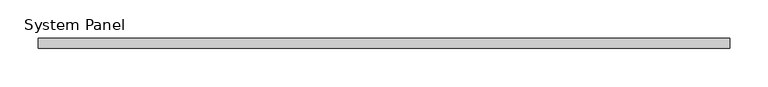
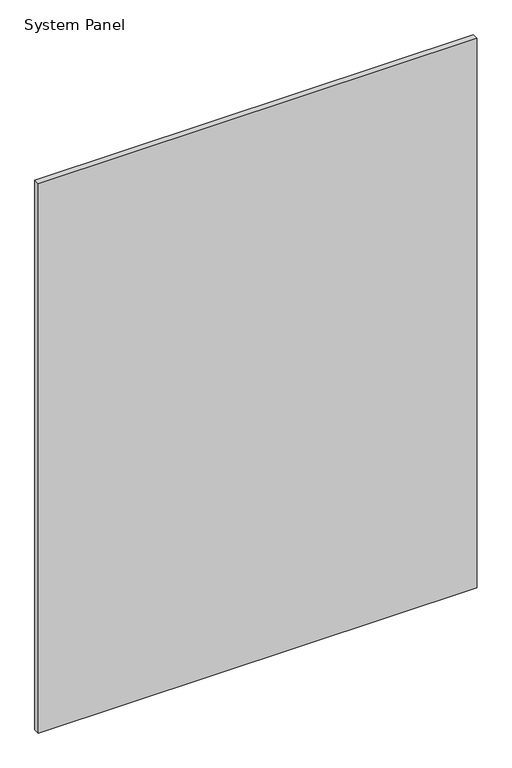
"""IFC4 building model written with IfcOpenShell, lengths in millimetres: plate geometry, System Panel."""

from ifc_helpers import new_model, si_unit, origin, origin_with_axes, place, context, project, spatial, polyline, outline, extrude, source, transform, mapped, element, save


def system_panel_fe69569a(model_context):
    return source(origin(), model_context, "Body", "SweptSolid", [
        extrude(outline(polyline([(450.8500002, -12.7), (-450.8500002, -12.7), (-450.8500002, 0.0), (450.8500002, 0.0), (450.8500002, -12.7)])), origin_with_axes(), (0.0, 0.0, 1.0), 1193.8),
    ])


if __name__ == "__main__":
    model = new_model("IFC4")
    model_context = context("Model", 3, world=origin())
    ifc_project = project(units=[si_unit("LENGTHUNIT", "METRE", prefix="MILLI")], contexts=[model_context])
    site = spatial("IfcSite", under=ifc_project)
    building = spatial("IfcBuilding", under=site)
    placement = place(None, origin())
    system_panel_shape = system_panel_fe69569a(model_context)
    element("IfcPlate", 1, ObjectType="System Panel", at=placement, inside=building, context=model_context, shape_type="MappedRepresentation", body=[
        mapped(system_panel_shape, transform((0.0, 0.0, 0.0), x_axis=(1.0, 0.0, 0.0), y_axis=(0.0, 1.0, 0.0), z_axis=(0.0, 0.0, 1.0))),
    ])
    save(model, "model.ifc")
